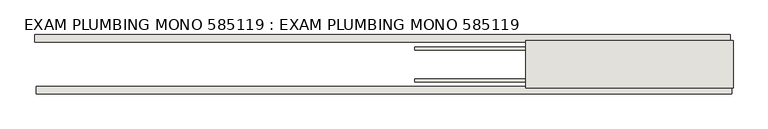
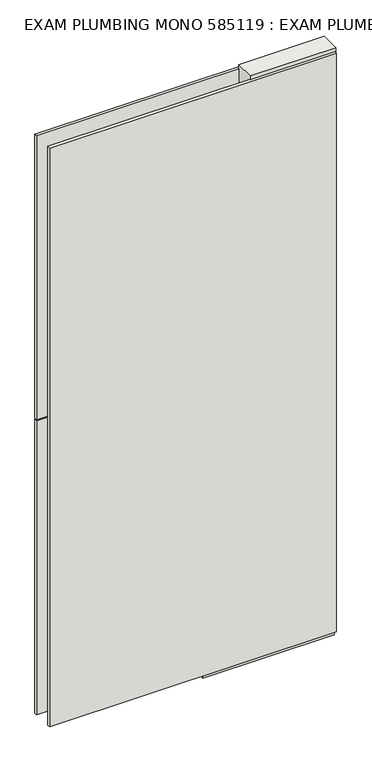
"""IFC4 building model written with IfcOpenShell, lengths in millimetres: wall geometry, EXAM PLUMBING MONO 585119 : EXAM PLUMBING MONO 585119."""

from ifc_helpers import new_model, si_unit, frame, origin, place, context, project, spatial, polyline, outline, extrude, source, transform, mapped, element, save


def exam_plumbing_mono_585119_exam_plumbing_mono_585119_d2cfc4b1(model_context):
    return source(origin(), model_context, "Body", "SweptSolid", [
        extrude(outline(polyline([(50694.134832, -43072.1814704), (50696.674832, -43072.1814704), (50696.674832, -43074.7214704), (50694.134832, -43074.7214704), (50694.134832, -43072.1814704)])), frame((0.0, 0.0, 4419.6), z_axis=(0.0, 0.0, 1.0), x_axis=(1.0, 0.0, 0.0)), (0.0, 0.0, 1.0), 2.54),
        extrude(outline(polyline([(50694.6734898, -43124.2514704), (49501.6168462, -43124.2514704), (49501.6168462, -43111.5514704), (50694.6734898, -43111.5514704), (50694.6734898, -43124.2514704)])), frame((0.0, 0.0, 4445.0), z_axis=(0.0, 0.0, 1.0), x_axis=(1.0, 0.0, 0.0)), (0.0, 0.0, 1.0), 2545.0498756),
        extrude(outline(polyline([(49499.1518778, -43022.6514704), (50692.2085214, -43022.6514704), (50692.2085214, -43035.3514704), (49499.1518778, -43035.3514704), (49499.1518778, -43022.6514704)])), frame((0.0, 0.0, 4445.0), z_axis=(0.0, 0.0, 1.0), x_axis=(1.0, 0.0, 0.0)), (0.0, 0.0, 1.0), 1293.400004),
        extrude(outline(polyline([(49499.1518778, -43022.6514704), (50692.2085214, -43022.6514704), (50692.2085214, -43035.3514704), (49499.1518778, -43035.3514704), (49499.1518778, -43022.6514704)])), frame((0.0, 0.0, 5742.399869), z_axis=(0.0, 0.0, 1.0), x_axis=(1.0, 0.0, 0.0)), (0.0, 0.0, 1.0), 1247.649905),
        extrude(outline(polyline([(50150.5729778, -43098.5414126), (50696.6729778, -43098.5414126), (50696.6729778, -43103.6232668), (50150.5729778, -43103.6232668), (50150.5729778, -43098.5414126)])), frame((0.0, 0.0, 4418.6602), z_axis=(0.0, 0.0, 1.0), x_axis=(1.0, 0.0, 0.0)), (0.0, 0.0, 1.0), 47.625),
        extrude(outline(polyline([(50150.5729778, -43098.5414126), (50696.6729778, -43098.5414126), (50696.6729778, -43103.6232668), (50150.5729778, -43103.6232668), (50150.5729778, -43098.5414126)])), frame((0.0, 0.0, 4418.6602), z_axis=(0.0, 0.0, 1.0), x_axis=(1.0, 0.0, 0.0)), (0.0, 0.0, 1.0), 47.625),
        extrude(outline(polyline([(50696.6729778, -43048.3770222), (50150.5729778, -43048.3770222), (50150.5729778, -43043.2982668), (50696.6729778, -43043.2982668), (50696.6729778, -43048.3770222)])), frame((0.0, 0.0, 4418.6602), z_axis=(0.0, 0.0, 1.0), x_axis=(1.0, 0.0, 0.0)), (0.0, 0.0, 1.0), 47.625),
        extrude(outline(polyline([(50696.6729778, -43048.3770222), (50150.5729778, -43048.3770222), (50150.5729778, -43043.2982668), (50696.6729778, -43043.2982668), (50696.6729778, -43048.3770222)])), frame((0.0, 0.0, 4418.6602), z_axis=(0.0, 0.0, 1.0), x_axis=(1.0, 0.0, 0.0)), (0.0, 0.0, 1.0), 47.625),
        extrude(outline(polyline([(50341.0729778, -43114.0877366), (50341.0729778, -43032.8058824), (50696.6729778, -43032.8058824), (50696.6729778, -43114.0877366), (50341.0729778, -43114.0877366)])), frame((0.0, 0.0, 4445.0), z_axis=(0.0, 0.0, 1.0), x_axis=(1.0, 0.0, 0.0)), (0.0, 0.0, 1.0), 2562.4536762),
    ])


if __name__ == "__main__":
    model = new_model("IFC4")
    model_context = context("Model", 3, world=origin())
    ifc_project = project(units=[si_unit("LENGTHUNIT", "METRE", prefix="MILLI")], contexts=[model_context])
    site = spatial("IfcSite", under=ifc_project)
    building = spatial("IfcBuilding", under=site)
    placement = place(None, origin())
    exam_plumbing_mono_585119_exam_plumbing_mono_585119_shape = exam_plumbing_mono_585119_exam_plumbing_mono_585119_d2cfc4b1(model_context)
    element("IfcWall", 1, ObjectType="EXAM PLUMBING MONO 585119 : EXAM PLUMBING MONO 585119", at=placement, inside=building, context=model_context, shape_type="MappedRepresentation", body=[
        mapped(exam_plumbing_mono_585119_exam_plumbing_mono_585119_shape, transform((0.0, 0.0, 0.0), x_axis=(1.0, 0.0, 0.0), y_axis=(0.0, 1.0, 0.0), z_axis=(0.0, 0.0, 1.0))),
    ])
    save(model, "model.ifc")
